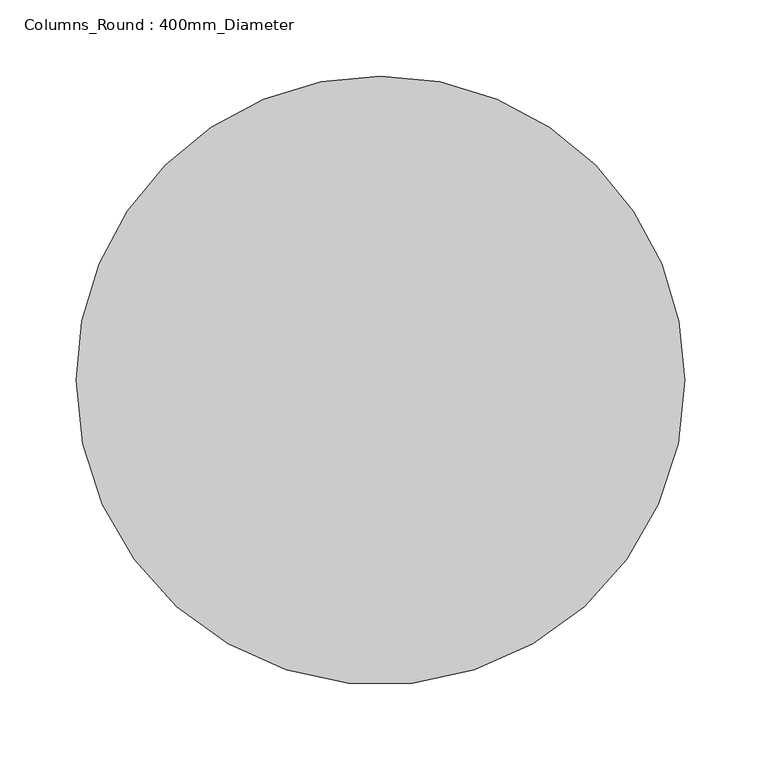
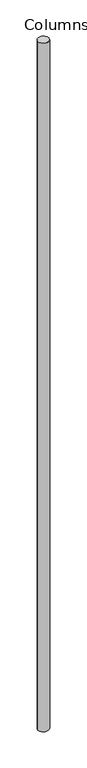
"""IFC4 building model written with IfcOpenShell, lengths in millimetres: column geometry, Columns_Round : 400mm_Diameter."""

from ifc_helpers import new_model, si_unit, point, origin, origin_with_axes, origin_2d, place, context, project, spatial, circle_curve, trimmed, segment, composite_curve, outline, extrude, source, transform, mapped, element, save


def columns_round_400mm_diameter_86542ad2(model_context):
    return source(origin(), model_context, "Body", "SweptSolid", [
        extrude(outline(composite_curve([segment(trimmed(circle_curve(origin_2d(), 200.0), [point((200.0, 0.0))], [point((-200.0, 0.0))], False, "CARTESIAN"), True, "CONTINUOUS"), segment(trimmed(circle_curve(origin_2d(), 200.0), [point((-200.0, 0.0))], [point((0.0, 200.0))], False, "CARTESIAN"), True, "CONTINUOUS"), segment(trimmed(circle_curve(origin_2d(), 200.0), [point((0.0, 200.0))], [point((200.0, 0.0))], False, "CARTESIAN"), True, "CONTINUOUS")], self_intersect=False)), origin_with_axes(), (0.0, 0.0, 1.0), 27210.0),
    ])


if __name__ == "__main__":
    model = new_model("IFC4")
    model_context = context("Model", 3, world=origin())
    ifc_project = project(units=[si_unit("LENGTHUNIT", "METRE", prefix="MILLI")], contexts=[model_context])
    site = spatial("IfcSite", under=ifc_project)
    building = spatial("IfcBuilding", under=site)
    placement = place(None, origin())
    columns_round_400mm_diameter_shape = columns_round_400mm_diameter_86542ad2(model_context)
    element("IfcColumn", 1, ObjectType="Columns_Round : 400mm_Diameter", at=placement, inside=building, context=model_context, shape_type="MappedRepresentation", body=[
        mapped(columns_round_400mm_diameter_shape, transform((0.0, 0.0, 0.0), x_axis=(1.0, 0.0, 0.0), y_axis=(0.0, 1.0, 0.0), z_axis=(0.0, 0.0, 1.0))),
    ])
    save(model, "model.ifc")
